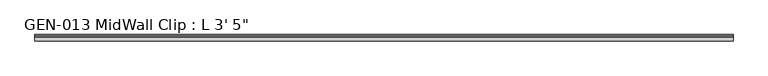
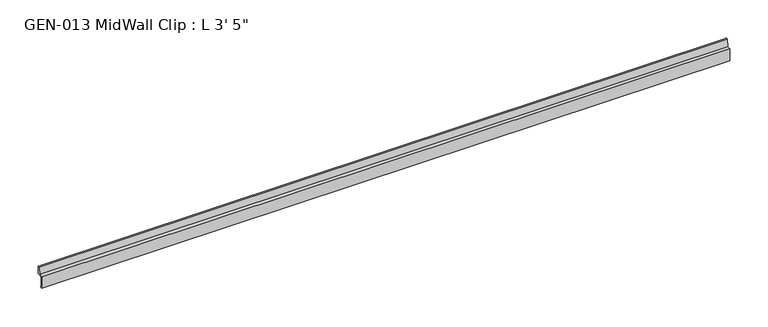
"""IFC4 building model written with IfcOpenShell, lengths in millimetres: proxy geometry."""

from ifc_helpers import new_model, si_unit, point, frame, frame_2d, origin, place, context, project, spatial, polyline, circle_curve, trimmed, segment, composite_curve, outline, extrude, source, transform, mapped, element, save


def proxy_3e403ecc(model_context):
    return source(origin(), model_context, "Body", "SweptSolid", [
        extrude(outline(composite_curve([segment(polyline([(-3.1877, 1.1238237), (-3.1877, -13.4811763), (-1.6129, -13.4811763), (-1.6129, -15.0559763), (-4.7625, -15.0559763), (-4.7625, 3.9686237), (0.630157, 3.9686237), (2.4411308, 14.5447106)]), True, "CONTINUOUS"), segment(trimmed(circle_curve(frame_2d((3.5698235, 13.3878692)), 1.6162393), [point((2.4411308, 14.5447106))], [point((4.7625, 14.4786268))], False, "CARTESIAN"), True, "CONTINUOUS"), segment(polyline([(4.7625, 14.4786268), (4.7625, 2.3938237), (-1.9177, 2.3938237)]), True, "CONTINUOUS"), segment(trimmed(circle_curve(frame_2d((-1.9177, 1.1238237)), 1.27), [point((-1.9177, 2.3938237))], [point((-3.1877, 1.1238237))], True, "CARTESIAN"), True, "CONTINUOUS")], self_intersect=False)), frame((0.0, 0.0, 0.0), z_axis=(1.0, 0.0, 0.0), x_axis=(0.0, 1.0, 0.0)), (0.0, 0.0, 1.0), 1041.4),
    ])


if __name__ == "__main__":
    model = new_model("IFC4")
    model_context = context("Model", 3, world=origin())
    ifc_project = project(units=[si_unit("LENGTHUNIT", "METRE", prefix="MILLI")], contexts=[model_context])
    site = spatial("IfcSite", under=ifc_project)
    building = spatial("IfcBuilding", under=site)
    placement = place(None, origin())
    proxy_shape = proxy_3e403ecc(model_context)
    element("IfcBuildingElementProxy", 1, Name="GEN-013 MidWall Clip : L 3' 5\"", ObjectType="GEN-013 MidWall Clip : L 3' 5\"", at=placement, inside=building, context=model_context, shape_type="MappedRepresentation", body=[
        mapped(proxy_shape, transform((0.0, 0.0, 0.0), x_axis=(1.0, 0.0, 0.0), y_axis=(0.0, 1.0, 0.0), z_axis=(0.0, 0.0, 1.0))),
    ])
    save(model, "model.ifc")
